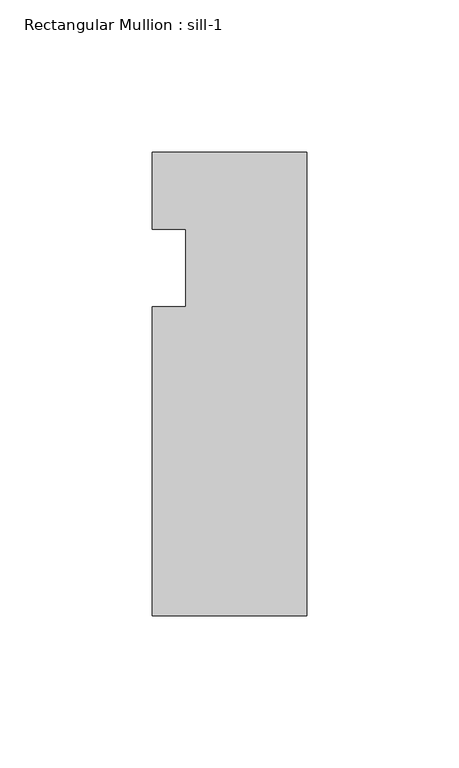
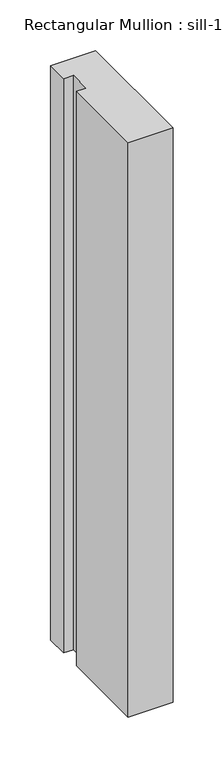
"""IFC4 building model written with IfcOpenShell, lengths in millimetres: member geometry, Rectangular Mullion : sill-1."""

from ifc_helpers import new_model, si_unit, frame, origin, place, context, project, spatial, polyline, outline, extrude, source, transform, mapped, element, save


def rectangular_mullion_sill_1_6ea7969c(model_context):
    return source(origin(), model_context, "Body", "SweptSolid", [
        extrude(outline(polyline([(0.0, 6.35), (0.0, -146.05), (-50.8, -146.05), (-50.8, -44.45), (-39.798625, -44.45), (-39.798625, -19.05), (-50.8, -19.05), (-50.8, 6.35), (0.0, 6.35)])), frame((0.0, 0.0, -688.975), z_axis=(0.0, 0.0, 1.0), x_axis=(1.0, 0.0, 0.0)), (0.0, 0.0, 1.0), 688.975),
    ])


if __name__ == "__main__":
    model = new_model("IFC4")
    model_context = context("Model", 3, world=origin())
    ifc_project = project(units=[si_unit("LENGTHUNIT", "METRE", prefix="MILLI")], contexts=[model_context])
    site = spatial("IfcSite", under=ifc_project)
    building = spatial("IfcBuilding", under=site)
    placement = place(None, origin())
    rectangular_mullion_sill_1_shape = rectangular_mullion_sill_1_6ea7969c(model_context)
    element("IfcMember", 1, ObjectType="Rectangular Mullion : sill-1", at=placement, inside=building, context=model_context, shape_type="MappedRepresentation", body=[
        mapped(rectangular_mullion_sill_1_shape, transform((0.0, 0.0, 0.0), x_axis=(1.0, 0.0, 0.0), y_axis=(0.0, 1.0, 0.0), z_axis=(0.0, 0.0, 1.0))),
    ])
    save(model, "model.ifc")
